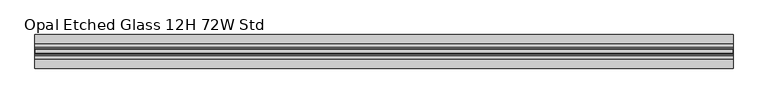
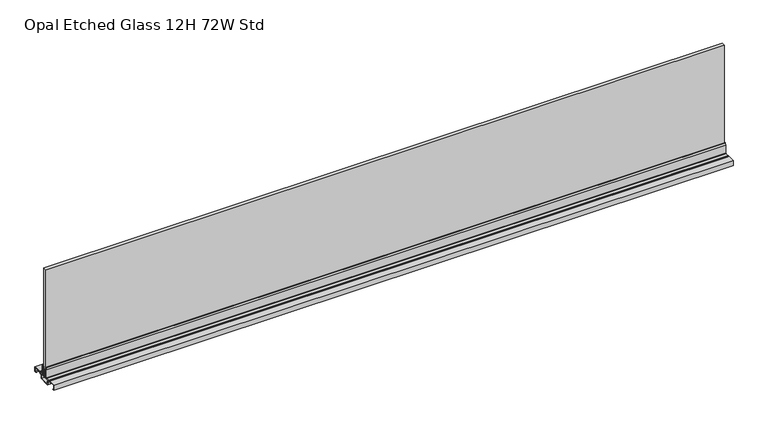
"""IFC4 building model written with IfcOpenShell, lengths in millimetres: furniture geometry, Opal Etched Glass 12H 72W Std."""

import ifcopenshell
import ifcopenshell.guid

model = None  # the IFC model being written
_history = None  # IfcOwnerHistory: only IFC2X3 demands one
_inside = {}  # id of a spatial element -> (the spatial element, [elements in it])
_under = {}  # id of a project, library or spatial element -> (it, [spatial elements below it])
_declared = {}  # id of a project -> (the project, [libraries it declares])
_typed = {}  # id of a type object -> (the type object, [elements of that type])
_made_of = {}  # id of a material, layer set ... -> (it, [elements and type objects made of it])


def new_model(schema):
    """Start an empty IFC model of exactly this schema.

    Asked for "IFC4X3", IfcOpenShell would pick the latest addendum, in which some entities
    have other attributes; the version numbers below select the first issue.
    IFC2X3 requires an IfcOwnerHistory on every rooted entity: one is made here for all.
    """
    global model, _history
    if schema == "IFC4X3":
        model = ifcopenshell.file(schema_version=(4, 3, 0, 0))
    else:
        model = ifcopenshell.file(schema=schema)
    _inside.clear()
    _under.clear()
    _declared.clear()
    _typed.clear()
    _made_of.clear()
    _history = None
    if model.schema == "IFC2X3":
        org = make("IfcOrganization", Name="unknown")
        user = make(
            "IfcPersonAndOrganization",
            ThePerson=make("IfcPerson", FamilyName="unknown"),
            TheOrganization=org,
        )
        app = make(
            "IfcApplication",
            ApplicationDeveloper=org,
            Version="unknown",
            ApplicationFullName="unknown",
            ApplicationIdentifier="unknown",
        )
        _history = make(
            "IfcOwnerHistory",
            OwningUser=user,
            OwningApplication=app,
            ChangeAction="ADDED",
            CreationDate=0,
        )
    return model


def make(cls, **values):
    """One entity of the class cls with the attributes given. An attribute that is None is left unset."""
    return model.create_entity(
        cls, **{name: value for name, value in values.items() if value is not None}
    )


def rooted(cls, **values):
    """An entity with a GlobalId (a new one), such as an element, a storey or a relation."""
    return make(cls, GlobalId=ifcopenshell.guid.new(), OwnerHistory=_history, **values)


def si_unit(unit_type, name, prefix=None):
    """IfcSIUnit, for example si_unit("LENGTHUNIT", "METRE", prefix="MILLI")."""
    return make("IfcSIUnit", UnitType=unit_type, Prefix=prefix, Name=name)


def assignment(units):
    """IfcUnitAssignment: the units of a project."""
    return None if units is None else make("IfcUnitAssignment", Units=units)


def point(xyz):
    """IfcCartesianPoint."""
    return None if xyz is None else make("IfcCartesianPoint", Coordinates=xyz)


def direction(xyz):
    """IfcDirection."""
    return None if xyz is None else make("IfcDirection", DirectionRatios=xyz)


def frame(location, z_axis=None, x_axis=None):
    """IfcAxis2Placement3D, a coordinate frame: its origin and axes. An axis left out is left unset."""
    return make(
        "IfcAxis2Placement3D",
        Location=point(location),
        Axis=direction(z_axis),
        RefDirection=direction(x_axis),
    )


def origin():
    """The frame at (0, 0, 0) with its axes left unset."""
    return frame((0.0, 0.0, 0.0))


def place(relative_to, where):
    """IfcLocalPlacement: puts the frame where relative to a parent placement (None: the world)."""
    return make(
        "IfcLocalPlacement", PlacementRelTo=relative_to, RelativePlacement=where
    )


def context(
    kind, dimensions, precision=None, world=None, true_north=None, identifier=None
):
    """IfcGeometricRepresentationContext, for example the 3D "Model" context."""
    return make(
        "IfcGeometricRepresentationContext",
        ContextIdentifier=identifier,
        ContextType=kind,
        CoordinateSpaceDimension=dimensions,
        Precision=precision,
        WorldCoordinateSystem=world,
        TrueNorth=true_north,
    )


def project(units=None, contexts=None):
    """IfcProject with its units and contexts."""
    return rooted(
        "IfcProject",
        Name="project",
        RepresentationContexts=contexts,
        UnitsInContext=assignment(units),
    )


def spatial(cls, under=None, at=None, **own):
    """A site, building, storey or space (cls), placed at a placement, below another one or the project."""
    s = rooted(cls, ObjectPlacement=at, **own)
    if under is not None:
        _under.setdefault(under.id(), (under, []))[1].append(s)
    return s


def polyline(points):
    """IfcPolyline through the points."""
    return make("IfcPolyline", Points=[point(p) for p in points])


def outline(outer, holes=None, kind="AREA"):
    """IfcArbitraryClosedProfileDef: a profile drawn as a closed curve; with holes, ...WithVoids."""
    if holes is None:
        return make("IfcArbitraryClosedProfileDef", ProfileType=kind, OuterCurve=outer)
    return make(
        "IfcArbitraryProfileDefWithVoids",
        ProfileType=kind,
        OuterCurve=outer,
        InnerCurves=holes,
    )


def extrude(swept, where, along, depth):
    """IfcExtrudedAreaSolid: the profile swept, set in the frame where, extruded along a direction by depth."""
    return make(
        "IfcExtrudedAreaSolid",
        SweptArea=swept,
        Position=where,
        ExtrudedDirection=direction(along),
        Depth=depth,
    )


def faces_of(points, faces, orient=None, outer=None):
    """IfcFace entities. A face is a list of loops; a loop is a list of indices into points, from 0.

    orient and outer hold one flag for each loop. By default every Orientation is true, the
    first loop of a face is its IfcFaceOuterBound and the others are IfcFaceBound.
    """
    made = []
    for i, loops in enumerate(faces):
        bounds = []
        for j, loop in enumerate(loops):
            is_outer = j == 0 if outer is None else outer[i][j]
            bounds.append(
                make(
                    "IfcFaceOuterBound" if is_outer else "IfcFaceBound",
                    Bound=make("IfcPolyLoop", Polygon=[points[k] for k in loop]),
                    Orientation=True if orient is None else orient[i][j],
                )
            )
        made.append(make("IfcFace", Bounds=bounds))
    return made


def faceted_brep(points, faces, orient=None, outer=None, voids=None):
    """IfcFacetedBrep: a solid bounded by flat faces; with voids (closed shells), ...WithVoids."""
    shared = [point(p) for p in points]
    hull = make("IfcClosedShell", CfsFaces=faces_of(shared, faces, orient, outer))
    if voids is None:
        return make("IfcFacetedBrep", Outer=hull)
    return make(
        "IfcFacetedBrepWithVoids",
        Outer=hull,
        Voids=[
            make(cls, CfsFaces=faces_of(shared, fs, o, b)) for cls, fs, o, b in voids
        ],
    )


def shape(context_of_items, identifier, shape_type, items):
    """IfcShapeRepresentation: the items that make up one representation, for example the "Body"."""
    return make(
        "IfcShapeRepresentation",
        ContextOfItems=context_of_items,
        RepresentationIdentifier=identifier,
        RepresentationType=shape_type,
        Items=items,
    )


def source(mapping_origin, context_of_items, identifier, shape_type, items):
    """IfcRepresentationMap: a shape defined once, which mapped items show again and again."""
    return make(
        "IfcRepresentationMap",
        MappingOrigin=mapping_origin,
        MappedRepresentation=shape(context_of_items, identifier, shape_type, items),
    )


def transform(
    local_origin,
    x_axis=None,
    y_axis=None,
    z_axis=None,
    scale=None,
    scale2=None,
    scale3=None,
    uniform=True,
):
    """IfcCartesianTransformationOperator3D, or its non-uniform kind. x_axis, y_axis, z_axis: its Axis1, 2, 3."""
    if uniform:
        return make(
            "IfcCartesianTransformationOperator3D",
            Axis1=direction(x_axis),
            Axis2=direction(y_axis),
            LocalOrigin=point(local_origin),
            Scale=scale,
            Axis3=direction(z_axis),
        )
    return make(
        "IfcCartesianTransformationOperator3DnonUniform",
        Axis1=direction(x_axis),
        Axis2=direction(y_axis),
        LocalOrigin=point(local_origin),
        Scale=scale,
        Axis3=direction(z_axis),
        Scale2=scale2,
        Scale3=scale3,
    )


def mapped(mapping_source, mapping_target):
    """IfcMappedItem: shows the shape of a source again, moved by a transform."""
    return make(
        "IfcMappedItem", MappingSource=mapping_source, MappingTarget=mapping_target
    )


def made_of(thing, what):
    """Note that an element or type object is made of a material, layer set ...; save() writes the relation."""
    if what is not None:
        _made_of.setdefault(what.id(), (what, []))[1].append(thing)
    return thing


def element(
    cls,
    number,
    at=None,
    inside=None,
    cuts=None,
    type_object=None,
    material=None,
    context=None,
    identifier="Body",
    shape_type=None,
    held_by="IfcProductDefinitionShape",
    body=None,
    shapes=None,
    **own,
):
    """One element of the class cls, such as IfcWall. Its Tag is "e" and its number.

    at: its placement. inside: the storey or other place that contains it. cuts: it is an
    opening in that element (IfcRelVoidsElement). A single representation is given by context,
    identifier, shape_type and body (its items); several are given by shapes. held_by: the class
    of the entity that holds the representations. save() writes the other relations.
    """
    e = rooted(cls, Tag="e%d" % number, ObjectPlacement=at, **own)
    if body is not None:
        shapes = [shape(context, identifier, shape_type, body)]
    if shapes is not None:
        e.Representation = make(held_by, Representations=shapes)
    if inside is not None:
        _inside.setdefault(inside.id(), (inside, []))[1].append(e)
    if cuts is not None:
        rooted(
            "IfcRelVoidsElement", RelatingBuildingElement=cuts, RelatedOpeningElement=e
        )
    if type_object is not None:
        _typed.setdefault(type_object.id(), (type_object, []))[1].append(e)
    return made_of(e, material)


def aggregate(whole, parts):
    """IfcRelAggregates: a whole, such as a stair, and the parts it consists of."""
    return rooted("IfcRelAggregates", RelatingObject=whole, RelatedObjects=parts)


def save(model, path):
    """Write the relations noted so far, then the file.

    IfcRelAggregates (storeys below a building ...), IfcRelContainedInSpatialStructure (elements
    in a storey), IfcRelDefinesByType, IfcRelAssociatesMaterial and IfcRelDeclares: one each for
    every whole, place, type object, material and project.
    """
    for whole, parts in _under.values():
        aggregate(whole, parts)
    for where, things in _inside.values():
        rooted(
            "IfcRelContainedInSpatialStructure",
            RelatedElements=things,
            RelatingStructure=where,
        )
    for kind, things in _typed.values():
        rooted("IfcRelDefinesByType", RelatedObjects=things, RelatingType=kind)
    for what, things in _made_of.values():
        rooted("IfcRelAssociatesMaterial", RelatedObjects=things, RelatingMaterial=what)
    for by, libraries in _declared.values():
        rooted("IfcRelDeclares", RelatingContext=by, RelatedDefinitions=libraries)
    model.write(path)


def opal_etched_glass_12h_72w_std_8b79e2ed(model_context):
    return source(origin(), model_context, "Body", "SolidModel", [
        extrude(outline(polyline([(11.0754283, 1162.3409966), (6.9341836, 1162.3409966), (6.9341836, 1163.249289), (9.9821807, 1163.249289), (11.0754283, 1162.3409966)])), frame((-913.384, 0.0, 0.0), z_axis=(1.0, 0.0, 0.0), x_axis=(0.0, 1.0, 0.0)), (0.0, 0.0, 1.0), 1826.768),
        faceted_brep([(913.384, -11.0849564, 1162.3409966), (913.384, -6.9437117, 1162.3409966), (913.384, -6.9437117, 1163.249289), (913.384, -9.9917088, 1163.249289), (-913.384, -6.9437117, 1163.249289), (-913.384, -6.9437117, 1162.3409966), (-913.384, -11.0849564, 1162.3409966), (-913.384, -11.0849564, 1163.249289), (458.216, -11.0849564, 1163.249289), (458.216, -9.9917088, 1163.249289), (458.216, -11.0849564, 1162.3409966)], [[[0, 1, 2, 3]], [[4, 5, 6, 7]], [[4, 7, 8, 9, 3, 2]], [[7, 6, 10, 8]], [[1, 0, 10, 6, 5]], [[2, 1, 5, 4]], [[10, 9, 8]], [[9, 10, 0, 3]]]),
        extrude(outline(polyline([(8.1332156, 1190.8752075), (9.9821807, 1185.7952207), (9.9821807, 1163.249289), (6.9341836, 1163.249289), (6.9341836, 1190.8752075), (8.1332156, 1190.8752075)])), frame((-913.384, 0.0, 0.0), z_axis=(1.0, 0.0, 0.0), x_axis=(0.0, 1.0, 0.0)), (0.0, 0.0, 1.0), 1826.768),
        extrude(outline(polyline([(-8.1427437, 1191.0622875), (-6.9437117, 1191.0622875), (-6.9437117, 1163.249289), (-9.9917088, 1163.249289), (-9.9917088, 1185.9823006), (-8.1427437, 1191.0622875)])), frame((-913.384, 0.0, 0.0), z_axis=(1.0, 0.0, 0.0), x_axis=(0.0, 1.0, 0.0)), (0.0, 0.0, 1.0), 1826.768),
        faceted_brep([(-913.384, 43.9832892, 1162.3409966), (-913.384, 43.9832892, 1148.624996), (-913.384, 39.4620892, 1148.624996), (-913.384, 39.3699808, 1149.1383299), (-913.384, 43.3831802, 1149.1383299), (-913.384, 43.3831802, 1161.8329966), (-913.384, 21.5391838, 1161.8329966), (-913.384, 21.5391838, 1159.8009956), (-913.384, 20.4170058, 1158.8922737), (-913.384, 19.5603955, 1156.8742264), (-913.384, 15.5111968, 1156.8742264), (-913.384, 14.9424216, 1156.3054511), (-913.384, 14.9424216, 1146.211996), (-913.384, -14.9519497, 1146.211996), (-913.384, -14.9519497, 1156.3054511), (-913.384, -15.5207249, 1156.8742264), (-913.384, -19.5699236, 1156.8742264), (-913.384, -20.4265339, 1158.8922737), (-913.384, -21.5487119, 1159.8009956), (-913.384, -21.5487119, 1161.8329966), (-913.384, -43.3927083, 1161.8329966), (-913.384, -43.3927083, 1149.1383299), (-913.384, -39.3795089, 1149.1383299), (-913.384, -39.3795089, 1148.624996), (-913.384, -43.9007083, 1148.624996), (-913.384, -43.9007083, 1162.3409966), (-913.384, -21.0407119, 1162.3409966), (-913.384, -21.0407119, 1159.8009956), (-913.384, -20.0220175, 1159.0333543), (-913.384, -19.262709, 1157.2609957), (-913.384, -15.1987129, 1157.2609957), (-913.384, -14.4367091, 1156.4989965), (-913.384, -14.4367091, 1146.719996), (-913.384, 14.5192883, 1146.719996), (-913.384, 14.5192883, 1156.4989965), (-913.384, 15.2812898, 1157.2609957), (-913.384, 19.3452882, 1157.2609957), (-913.384, 20.1072897, 1159.0307131), (-913.384, 21.1232888, 1159.8009956), (-913.384, 21.1232888, 1162.3409966), (913.384, 43.9832892, 1162.3409966), (913.384, 21.1232888, 1162.3409966), (913.384, 21.1232888, 1159.8009956), (913.384, 20.1072897, 1159.0307131), (913.384, 19.3452882, 1157.2609957), (913.384, 15.2812898, 1157.2609957), (913.384, 14.5192883, 1156.4989965), (913.384, 14.5192883, 1146.719996), (913.384, -14.4367091, 1146.719996), (913.384, -14.4367091, 1156.4989965), (913.384, -15.1987129, 1157.2609957), (913.384, -19.262709, 1157.2609957), (913.384, -20.0220175, 1159.0333543), (913.384, -21.0407119, 1159.8009956), (913.384, -21.0407119, 1162.3409966), (913.384, -43.9007083, 1162.3409966), (913.384, -43.9007083, 1148.624996), (913.384, -39.3795089, 1148.624996), (913.384, -39.3795089, 1149.1383299), (913.384, -43.3927083, 1149.1383299), (913.384, -43.3927083, 1161.8329966), (913.384, -21.5487119, 1161.8329966), (913.384, -21.5487119, 1159.8009956), (913.384, -20.4265339, 1158.8922737), (913.384, -19.5699236, 1156.8742264), (913.384, -15.5207249, 1156.8742264), (913.384, -14.9519497, 1156.3054511), (913.384, -14.9519497, 1146.211996), (913.384, 14.9424216, 1146.211996), (913.384, 14.9424216, 1156.3054511), (913.384, 15.5111968, 1156.8742264), (913.384, 19.5603955, 1156.8742264), (913.384, 20.4170058, 1158.8922737), (913.384, 21.5391838, 1159.8009956), (913.384, 21.5391838, 1161.8329966), (913.384, 43.3831802, 1161.8329966), (913.384, 43.3831802, 1149.1383299), (913.384, 39.3699808, 1149.1383299), (913.384, 39.3699808, 1148.624996), (913.384, 43.9832892, 1148.624996)], [[[0, 1, 2, 3, 4, 5, 6, 7, 8, 9, 10, 11, 12, 13, 14, 15, 16, 17, 18, 19, 20, 21, 22, 23, 24, 25, 26, 27, 28, 29, 30, 31, 32, 33, 34, 35, 36, 37, 38, 39]], [[40, 41, 42, 43, 44, 45, 46, 47, 48, 49, 50, 51, 52, 53, 54, 55, 56, 57, 58, 59, 60, 61, 62, 63, 64, 65, 66, 67, 68, 69, 70, 71, 72, 73, 74, 75, 76, 77, 78, 79]], [[1, 0, 40, 79]], [[2, 1, 79, 78]], [[34, 33, 47, 46]], [[35, 34, 46, 45]], [[36, 35, 45, 44]], [[37, 36, 44, 43]], [[38, 37, 43, 42]], [[39, 38, 42, 41]], [[0, 39, 41, 40]], [[26, 25, 55, 54]], [[27, 26, 54, 53]], [[28, 27, 53, 52]], [[30, 29, 51, 50]], [[31, 30, 50, 49]], [[32, 31, 49, 48]], [[67, 13, 12, 68]], [[24, 23, 57, 56]], [[25, 24, 56, 55]], [[33, 32, 48, 47]], [[29, 28, 52, 51]], [[18, 62, 61, 19]], [[21, 59, 58, 22]], [[59, 21, 20, 60]], [[19, 61, 60, 20]], [[62, 18, 17, 63]], [[63, 17, 16, 64]], [[64, 16, 15, 65]], [[65, 15, 14, 66]], [[66, 14, 13, 67]], [[22, 58, 57, 23]], [[6, 74, 73, 7]], [[3, 77, 76, 4]], [[4, 76, 75, 5]], [[74, 6, 5, 75]], [[7, 73, 72, 8]], [[8, 72, 71, 9]], [[9, 71, 70, 10]], [[10, 70, 69, 11]], [[11, 69, 68, 12]], [[77, 3, 2, 78]]]),
        extrude(outline(polyline([(913.384, 19.9802899), (913.384, -19.897713), (-913.384, -19.897713), (-913.384, 19.9802899), (913.384, 19.9802899)])), frame((0.0, 0.0, 1159.8009956), z_axis=(0.0, 0.0, 1.0), x_axis=(1.0, 0.0, 0.0)), (0.0, 0.0, 1.0), 2.540001),
        extrude(outline(polyline([(-6.7532119, 1162.3409966), (-6.7532119, 1189.2649959), (-4.822811, 1185.1252413), (-4.822811, 1163.1029958), (4.9053879, 1163.1029958), (4.9053879, 1185.1252413), (6.8357888, 1189.2649959), (6.8357888, 1162.3409966), (-6.7532119, 1162.3409966)])), frame((-913.384, 0.0, 0.0), z_axis=(1.0, 0.0, 0.0), x_axis=(0.0, 1.0, 0.0)), (0.0, 0.0, 1.0), 1826.768),
        extrude(outline(polyline([(911.987, 4.6481813), (911.987, -4.6577093), (-911.987, -4.6577093), (-911.987, 4.6481813), (911.987, 4.6481813)])), frame((0.0, 0.0, 1163.1029958), z_axis=(0.0, 0.0, 1.0), x_axis=(1.0, 0.0, 0.0)), (0.0, 0.0, 1.0), 304.0380007),
    ])


if __name__ == "__main__":
    model = new_model("IFC4")
    model_context = context("Model", 3, world=origin())
    ifc_project = project(units=[si_unit("LENGTHUNIT", "METRE", prefix="MILLI")], contexts=[model_context])
    site = spatial("IfcSite", under=ifc_project)
    building = spatial("IfcBuilding", under=site)
    placement = place(None, origin())
    opal_etched_glass_12h_72w_std_shape = opal_etched_glass_12h_72w_std_8b79e2ed(model_context)
    element("IfcFurniture", 1, ObjectType="Opal Etched Glass 12H 72W Std", at=placement, inside=building, context=model_context, shape_type="MappedRepresentation", body=[
        mapped(opal_etched_glass_12h_72w_std_shape, transform((0.0, 0.0, 0.0), x_axis=(1.0, 0.0, 0.0), y_axis=(0.0, 1.0, 0.0), z_axis=(0.0, 0.0, 1.0))),
    ])
    save(model, "model.ifc")
